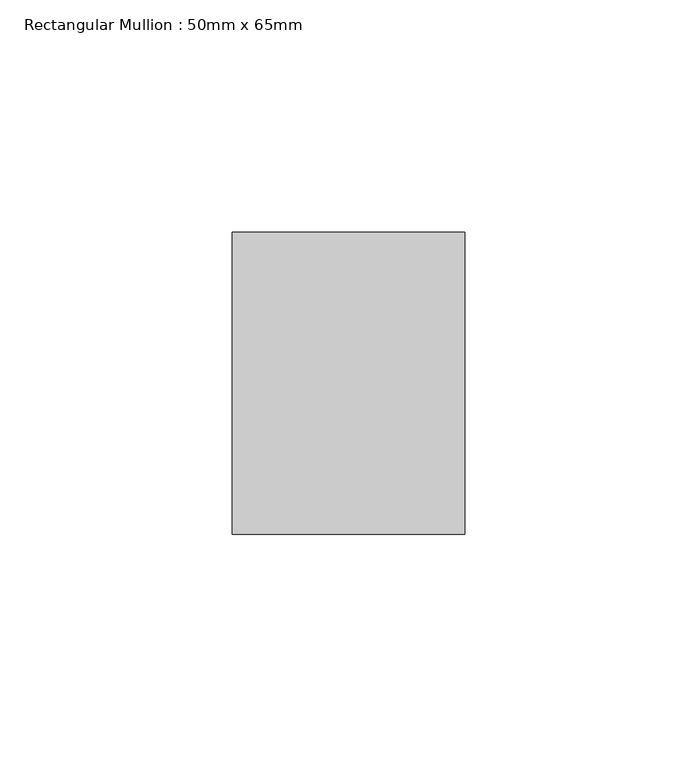
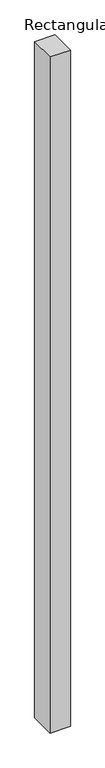
"""IFC4 building model written with IfcOpenShell, lengths in millimetres: member geometry, Rectangular Mullion : 50mm x 65mm."""

import ifcopenshell
import ifcopenshell.guid

model = None  # the IFC model being written
_history = None  # IfcOwnerHistory: only IFC2X3 demands one
_inside = {}  # id of a spatial element -> (the spatial element, [elements in it])
_under = {}  # id of a project, library or spatial element -> (it, [spatial elements below it])
_declared = {}  # id of a project -> (the project, [libraries it declares])
_typed = {}  # id of a type object -> (the type object, [elements of that type])
_made_of = {}  # id of a material, layer set ... -> (it, [elements and type objects made of it])


def new_model(schema):
    """Start an empty IFC model of exactly this schema.

    Asked for "IFC4X3", IfcOpenShell would pick the latest addendum, in which some entities
    have other attributes; the version numbers below select the first issue.
    IFC2X3 requires an IfcOwnerHistory on every rooted entity: one is made here for all.
    """
    global model, _history
    if schema == "IFC4X3":
        model = ifcopenshell.file(schema_version=(4, 3, 0, 0))
    else:
        model = ifcopenshell.file(schema=schema)
    _inside.clear()
    _under.clear()
    _declared.clear()
    _typed.clear()
    _made_of.clear()
    _history = None
    if model.schema == "IFC2X3":
        org = make("IfcOrganization", Name="unknown")
        user = make(
            "IfcPersonAndOrganization",
            ThePerson=make("IfcPerson", FamilyName="unknown"),
            TheOrganization=org,
        )
        app = make(
            "IfcApplication",
            ApplicationDeveloper=org,
            Version="unknown",
            ApplicationFullName="unknown",
            ApplicationIdentifier="unknown",
        )
        _history = make(
            "IfcOwnerHistory",
            OwningUser=user,
            OwningApplication=app,
            ChangeAction="ADDED",
            CreationDate=0,
        )
    return model


def make(cls, **values):
    """One entity of the class cls with the attributes given. An attribute that is None is left unset."""
    return model.create_entity(
        cls, **{name: value for name, value in values.items() if value is not None}
    )


def rooted(cls, **values):
    """An entity with a GlobalId (a new one), such as an element, a storey or a relation."""
    return make(cls, GlobalId=ifcopenshell.guid.new(), OwnerHistory=_history, **values)


def si_unit(unit_type, name, prefix=None):
    """IfcSIUnit, for example si_unit("LENGTHUNIT", "METRE", prefix="MILLI")."""
    return make("IfcSIUnit", UnitType=unit_type, Prefix=prefix, Name=name)


def assignment(units):
    """IfcUnitAssignment: the units of a project."""
    return None if units is None else make("IfcUnitAssignment", Units=units)


def point(xyz):
    """IfcCartesianPoint."""
    return None if xyz is None else make("IfcCartesianPoint", Coordinates=xyz)


def direction(xyz):
    """IfcDirection."""
    return None if xyz is None else make("IfcDirection", DirectionRatios=xyz)


def frame(location, z_axis=None, x_axis=None):
    """IfcAxis2Placement3D, a coordinate frame: its origin and axes. An axis left out is left unset."""
    return make(
        "IfcAxis2Placement3D",
        Location=point(location),
        Axis=direction(z_axis),
        RefDirection=direction(x_axis),
    )


def origin():
    """The frame at (0, 0, 0) with its axes left unset."""
    return frame((0.0, 0.0, 0.0))


def place(relative_to, where):
    """IfcLocalPlacement: puts the frame where relative to a parent placement (None: the world)."""
    return make(
        "IfcLocalPlacement", PlacementRelTo=relative_to, RelativePlacement=where
    )


def context(
    kind, dimensions, precision=None, world=None, true_north=None, identifier=None
):
    """IfcGeometricRepresentationContext, for example the 3D "Model" context."""
    return make(
        "IfcGeometricRepresentationContext",
        ContextIdentifier=identifier,
        ContextType=kind,
        CoordinateSpaceDimension=dimensions,
        Precision=precision,
        WorldCoordinateSystem=world,
        TrueNorth=true_north,
    )


def project(units=None, contexts=None):
    """IfcProject with its units and contexts."""
    return rooted(
        "IfcProject",
        Name="project",
        RepresentationContexts=contexts,
        UnitsInContext=assignment(units),
    )


def spatial(cls, under=None, at=None, **own):
    """A site, building, storey or space (cls), placed at a placement, below another one or the project."""
    s = rooted(cls, ObjectPlacement=at, **own)
    if under is not None:
        _under.setdefault(under.id(), (under, []))[1].append(s)
    return s


def polyline(points):
    """IfcPolyline through the points."""
    return make("IfcPolyline", Points=[point(p) for p in points])


def outline(outer, holes=None, kind="AREA"):
    """IfcArbitraryClosedProfileDef: a profile drawn as a closed curve; with holes, ...WithVoids."""
    if holes is None:
        return make("IfcArbitraryClosedProfileDef", ProfileType=kind, OuterCurve=outer)
    return make(
        "IfcArbitraryProfileDefWithVoids",
        ProfileType=kind,
        OuterCurve=outer,
        InnerCurves=holes,
    )


def extrude(swept, where, along, depth):
    """IfcExtrudedAreaSolid: the profile swept, set in the frame where, extruded along a direction by depth."""
    return make(
        "IfcExtrudedAreaSolid",
        SweptArea=swept,
        Position=where,
        ExtrudedDirection=direction(along),
        Depth=depth,
    )


def shape(context_of_items, identifier, shape_type, items):
    """IfcShapeRepresentation: the items that make up one representation, for example the "Body"."""
    return make(
        "IfcShapeRepresentation",
        ContextOfItems=context_of_items,
        RepresentationIdentifier=identifier,
        RepresentationType=shape_type,
        Items=items,
    )


def source(mapping_origin, context_of_items, identifier, shape_type, items):
    """IfcRepresentationMap: a shape defined once, which mapped items show again and again."""
    return make(
        "IfcRepresentationMap",
        MappingOrigin=mapping_origin,
        MappedRepresentation=shape(context_of_items, identifier, shape_type, items),
    )


def transform(
    local_origin,
    x_axis=None,
    y_axis=None,
    z_axis=None,
    scale=None,
    scale2=None,
    scale3=None,
    uniform=True,
):
    """IfcCartesianTransformationOperator3D, or its non-uniform kind. x_axis, y_axis, z_axis: its Axis1, 2, 3."""
    if uniform:
        return make(
            "IfcCartesianTransformationOperator3D",
            Axis1=direction(x_axis),
            Axis2=direction(y_axis),
            LocalOrigin=point(local_origin),
            Scale=scale,
            Axis3=direction(z_axis),
        )
    return make(
        "IfcCartesianTransformationOperator3DnonUniform",
        Axis1=direction(x_axis),
        Axis2=direction(y_axis),
        LocalOrigin=point(local_origin),
        Scale=scale,
        Axis3=direction(z_axis),
        Scale2=scale2,
        Scale3=scale3,
    )


def mapped(mapping_source, mapping_target):
    """IfcMappedItem: shows the shape of a source again, moved by a transform."""
    return make(
        "IfcMappedItem", MappingSource=mapping_source, MappingTarget=mapping_target
    )


def made_of(thing, what):
    """Note that an element or type object is made of a material, layer set ...; save() writes the relation."""
    if what is not None:
        _made_of.setdefault(what.id(), (what, []))[1].append(thing)
    return thing


def element(
    cls,
    number,
    at=None,
    inside=None,
    cuts=None,
    type_object=None,
    material=None,
    context=None,
    identifier="Body",
    shape_type=None,
    held_by="IfcProductDefinitionShape",
    body=None,
    shapes=None,
    **own,
):
    """One element of the class cls, such as IfcWall. Its Tag is "e" and its number.

    at: its placement. inside: the storey or other place that contains it. cuts: it is an
    opening in that element (IfcRelVoidsElement). A single representation is given by context,
    identifier, shape_type and body (its items); several are given by shapes. held_by: the class
    of the entity that holds the representations. save() writes the other relations.
    """
    e = rooted(cls, Tag="e%d" % number, ObjectPlacement=at, **own)
    if body is not None:
        shapes = [shape(context, identifier, shape_type, body)]
    if shapes is not None:
        e.Representation = make(held_by, Representations=shapes)
    if inside is not None:
        _inside.setdefault(inside.id(), (inside, []))[1].append(e)
    if cuts is not None:
        rooted(
            "IfcRelVoidsElement", RelatingBuildingElement=cuts, RelatedOpeningElement=e
        )
    if type_object is not None:
        _typed.setdefault(type_object.id(), (type_object, []))[1].append(e)
    return made_of(e, material)


def aggregate(whole, parts):
    """IfcRelAggregates: a whole, such as a stair, and the parts it consists of."""
    return rooted("IfcRelAggregates", RelatingObject=whole, RelatedObjects=parts)


def save(model, path):
    """Write the relations noted so far, then the file.

    IfcRelAggregates (storeys below a building ...), IfcRelContainedInSpatialStructure (elements
    in a storey), IfcRelDefinesByType, IfcRelAssociatesMaterial and IfcRelDeclares: one each for
    every whole, place, type object, material and project.
    """
    for whole, parts in _under.values():
        aggregate(whole, parts)
    for where, things in _inside.values():
        rooted(
            "IfcRelContainedInSpatialStructure",
            RelatedElements=things,
            RelatingStructure=where,
        )
    for kind, things in _typed.values():
        rooted("IfcRelDefinesByType", RelatedObjects=things, RelatingType=kind)
    for what, things in _made_of.values():
        rooted("IfcRelAssociatesMaterial", RelatedObjects=things, RelatingMaterial=what)
    for by, libraries in _declared.values():
        rooted("IfcRelDeclares", RelatingContext=by, RelatedDefinitions=libraries)
    model.write(path)


def rectangular_mullion_50mm_x_65mm_9fbe9db5(model_context):
    return source(origin(), model_context, "Body", "SweptSolid", [
        extrude(outline(polyline([(25.0, 32.5), (25.0, -32.5), (-25.0, -32.5), (-25.0, 32.5), (25.0, 32.5)])), frame((0.0, 0.0, -1754.4948971), z_axis=(0.0, 0.0, 1.0), x_axis=(1.0, 0.0, 0.0)), (0.0, 0.0, 1.0), 1754.4948971),
    ])


if __name__ == "__main__":
    model = new_model("IFC4")
    model_context = context("Model", 3, world=origin())
    ifc_project = project(units=[si_unit("LENGTHUNIT", "METRE", prefix="MILLI")], contexts=[model_context])
    site = spatial("IfcSite", under=ifc_project)
    building = spatial("IfcBuilding", under=site)
    placement = place(None, origin())
    rectangular_mullion_50mm_x_65mm_shape = rectangular_mullion_50mm_x_65mm_9fbe9db5(model_context)
    element("IfcMember", 1, ObjectType="Rectangular Mullion : 50mm x 65mm", at=placement, inside=building, context=model_context, shape_type="MappedRepresentation", body=[
        mapped(rectangular_mullion_50mm_x_65mm_shape, transform((0.0, 0.0, 0.0), x_axis=(1.0, 0.0, 0.0), y_axis=(0.0, 1.0, 0.0), z_axis=(0.0, 0.0, 1.0))),
    ])
    save(model, "model.ifc")
